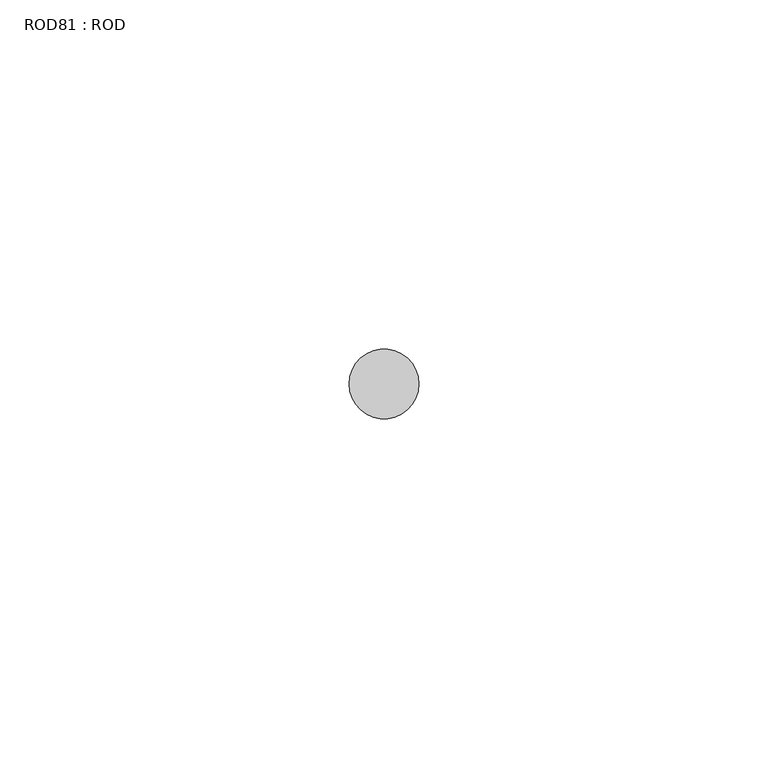
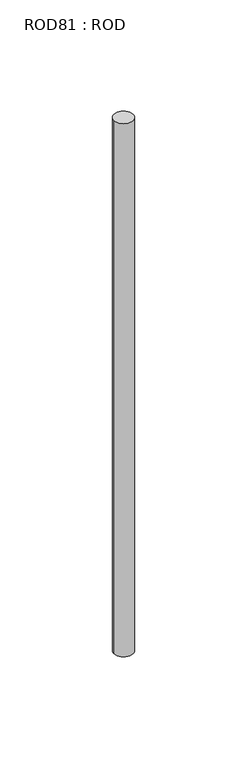
"""IFC4 building model written with IfcOpenShell, lengths in millimetres: proxy geometry, ROD81 : ROD."""

from ifc_helpers import new_model, si_unit, point, frame, frame_2d, origin, place, context, project, spatial, circle_curve, trimmed, segment, composite_curve, outline, extrude, source, transform, mapped, element, save


def rod81_rod_5bafab6f(model_context):
    return source(origin(), model_context, "Body", "SweptSolid", [
        extrude(outline(composite_curve([segment(trimmed(circle_curve(frame_2d((8399.7673324, -10466.6028424)), 5.0), [point((8394.7673324, -10466.6028424))], [point((8404.7673324, -10466.6028424))], False, "CARTESIAN"), True, "CONTINUOUS"), segment(trimmed(circle_curve(frame_2d((8399.7673324, -10466.6028424)), 5.0), [point((8404.7673324, -10466.6028424))], [point((8394.7673324, -10466.6028424))], False, "CARTESIAN"), True, "CONTINUOUS")], self_intersect=False)), frame((0.0, 0.0, -108.6608845), z_axis=(0.0, 0.0, 1.0), x_axis=(1.0, 0.0, 0.0)), (0.0, 0.0, 1.0), 298.9028972),
    ])


if __name__ == "__main__":
    model = new_model("IFC4")
    model_context = context("Model", 3, world=origin())
    ifc_project = project(units=[si_unit("LENGTHUNIT", "METRE", prefix="MILLI")], contexts=[model_context])
    site = spatial("IfcSite", under=ifc_project)
    building = spatial("IfcBuilding", under=site)
    placement = place(None, origin())
    rod81_rod_shape = rod81_rod_5bafab6f(model_context)
    element("IfcBuildingElementProxy", 1, Name="ROD81 : ROD", ObjectType="ROD81 : ROD", at=placement, inside=building, context=model_context, shape_type="MappedRepresentation", body=[
        mapped(rod81_rod_shape, transform((0.0, 0.0, 0.0), x_axis=(1.0, 0.0, 0.0), y_axis=(0.0, 1.0, 0.0), z_axis=(0.0, 0.0, 1.0))),
    ])
    save(model, "model.ifc")
